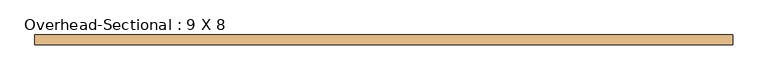
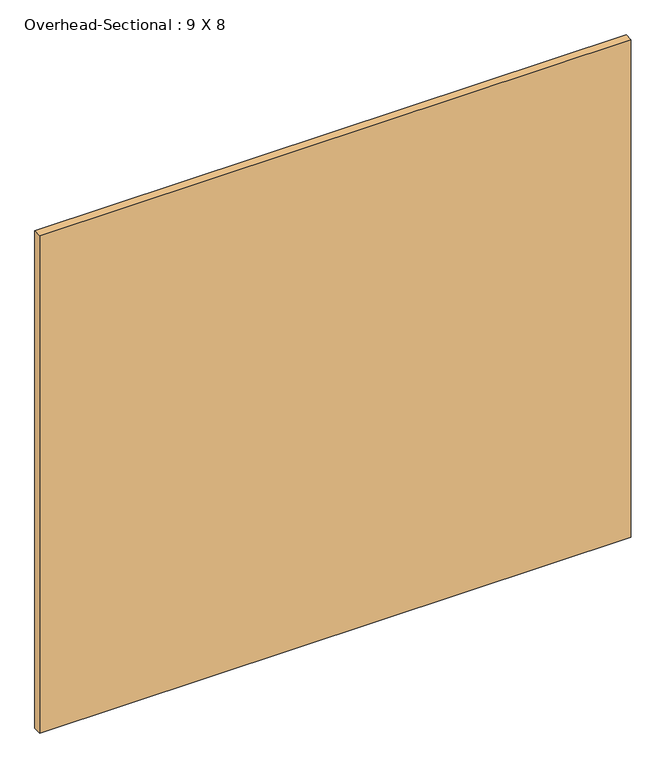
"""IFC4 building model written with IfcOpenShell, lengths in millimetres: door geometry, Overhead-Sectional : 9 X 8."""

from ifc_helpers import new_model, si_unit, origin, origin_with_axes, place, context, project, spatial, polyline, outline, extrude, source, transform, mapped, element, save


def overhead_sectional_9_x_8_83295410(model_context):
    return source(origin(), model_context, "Body", "SweptSolid", [
        extrude(outline(polyline([(1371.6, -182.5625), (1371.6, -220.6625), (-1371.6, -220.6625), (-1371.6, -182.5625), (1371.6, -182.5625)])), origin_with_axes(), (0.0, 0.0, 1.0), 2438.4),
    ])


if __name__ == "__main__":
    model = new_model("IFC4")
    model_context = context("Model", 3, world=origin())
    ifc_project = project(units=[si_unit("LENGTHUNIT", "METRE", prefix="MILLI")], contexts=[model_context])
    site = spatial("IfcSite", under=ifc_project)
    building = spatial("IfcBuilding", under=site)
    placement = place(None, origin())
    overhead_sectional_9_x_8_shape = overhead_sectional_9_x_8_83295410(model_context)
    element("IfcDoor", 1, ObjectType="Overhead-Sectional : 9 X 8", at=placement, inside=building, context=model_context, shape_type="MappedRepresentation", body=[
        mapped(overhead_sectional_9_x_8_shape, transform((0.0, 0.0, 0.0), x_axis=(1.0, 0.0, 0.0), y_axis=(0.0, 1.0, 0.0), z_axis=(0.0, 0.0, 1.0))),
    ])
    save(model, "model.ifc")
